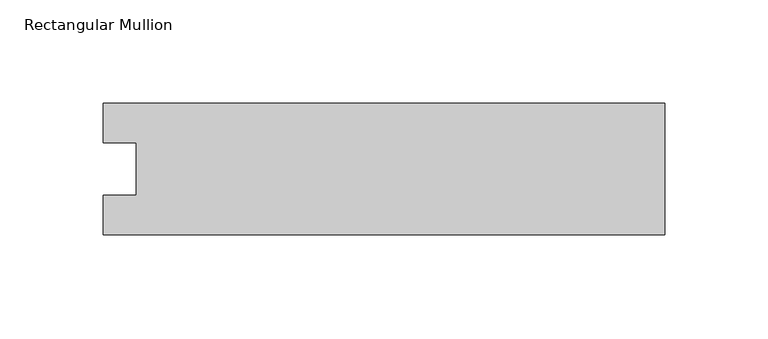
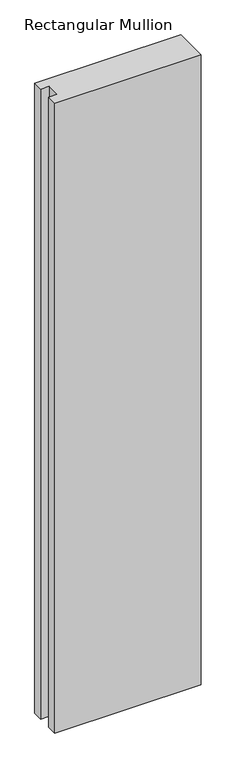
"""IFC4 building model written with IfcOpenShell, lengths in millimetres: member geometry, Rectangular Mullion."""

from ifc_helpers import new_model, si_unit, frame, origin, place, context, project, spatial, polyline, outline, extrude, source, transform, mapped, element, save


def rectangular_mullion_fb17fd4d(model_context):
    return source(origin(), model_context, "Body", "SweptSolid", [
        extrude(outline(polyline([(-271.2568015, -31.7489583), (-271.2568015, -12.7), (-255.3707024, -12.7), (-255.3707024, 12.7), (-271.2568015, 12.7), (-271.2568015, 31.7489583), (0.0, 31.7489583), (0.0, -31.7489583), (-271.2568015, -31.7489583)])), frame((0.0, 0.0, -1233.5764), z_axis=(0.0, 0.0, 1.0), x_axis=(1.0, 0.0, 0.0)), (0.0, 0.0, 1.0), 1233.5764),
    ])


if __name__ == "__main__":
    model = new_model("IFC4")
    model_context = context("Model", 3, world=origin())
    ifc_project = project(units=[si_unit("LENGTHUNIT", "METRE", prefix="MILLI")], contexts=[model_context])
    site = spatial("IfcSite", under=ifc_project)
    building = spatial("IfcBuilding", under=site)
    placement = place(None, origin())
    rectangular_mullion_shape = rectangular_mullion_fb17fd4d(model_context)
    element("IfcMember", 1, ObjectType="Rectangular Mullion", at=placement, inside=building, context=model_context, shape_type="MappedRepresentation", body=[
        mapped(rectangular_mullion_shape, transform((0.0, 0.0, 0.0), x_axis=(1.0, 0.0, 0.0), y_axis=(0.0, 1.0, 0.0), z_axis=(0.0, 0.0, 1.0))),
    ])
    save(model, "model.ifc")
